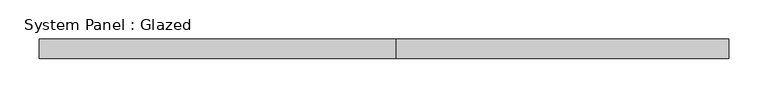
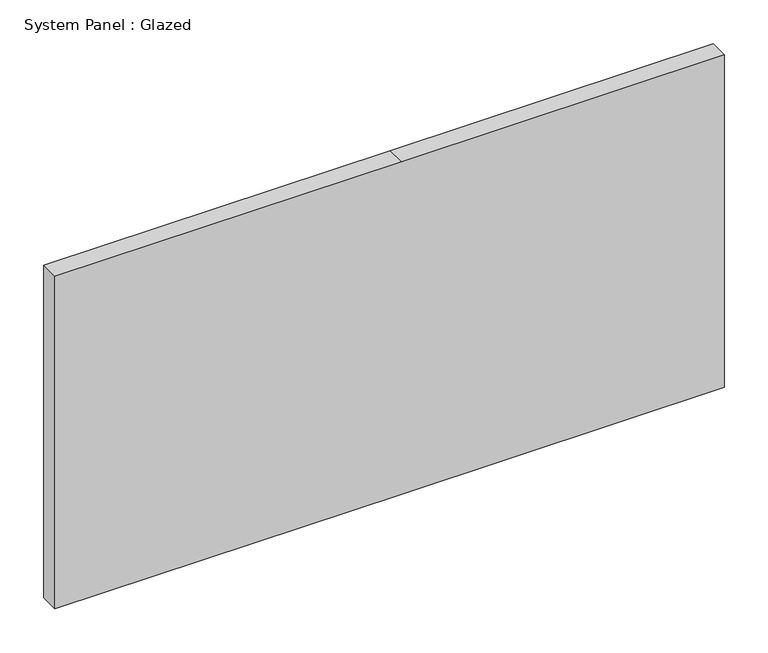
"""IFC4 building model written with IfcOpenShell, lengths in millimetres: plate geometry, System Panel : Glazed."""

from ifc_helpers import new_model, si_unit, frame, origin, place, context, project, spatial, polyline, outline, extrude, source, transform, mapped, element, save


def system_panel_glazed_39d7ce97(model_context):
    return source(origin(), model_context, "Body", "SweptSolid", [
        extrude(outline(polyline([(0.0, -441.325), (0.0, 15.875), (0.0, 441.325), (463.55, 441.325), (463.55, 15.875), (463.55, -441.325), (0.0, -441.325)])), frame((0.0, 19.05, 0.0), z_axis=(0.0, 1.0, 0.0), x_axis=(0.0, 0.0, 1.0)), (0.0, 0.0, 1.0), 25.4),
    ])


if __name__ == "__main__":
    model = new_model("IFC4")
    model_context = context("Model", 3, world=origin())
    ifc_project = project(units=[si_unit("LENGTHUNIT", "METRE", prefix="MILLI")], contexts=[model_context])
    site = spatial("IfcSite", under=ifc_project)
    building = spatial("IfcBuilding", under=site)
    placement = place(None, origin())
    system_panel_glazed_shape = system_panel_glazed_39d7ce97(model_context)
    element("IfcPlate", 1, ObjectType="System Panel : Glazed", at=placement, inside=building, context=model_context, shape_type="MappedRepresentation", body=[
        mapped(system_panel_glazed_shape, transform((0.0, 0.0, 0.0), x_axis=(1.0, 0.0, 0.0), y_axis=(0.0, 1.0, 0.0), z_axis=(0.0, 0.0, 1.0))),
    ])
    save(model, "model.ifc")
